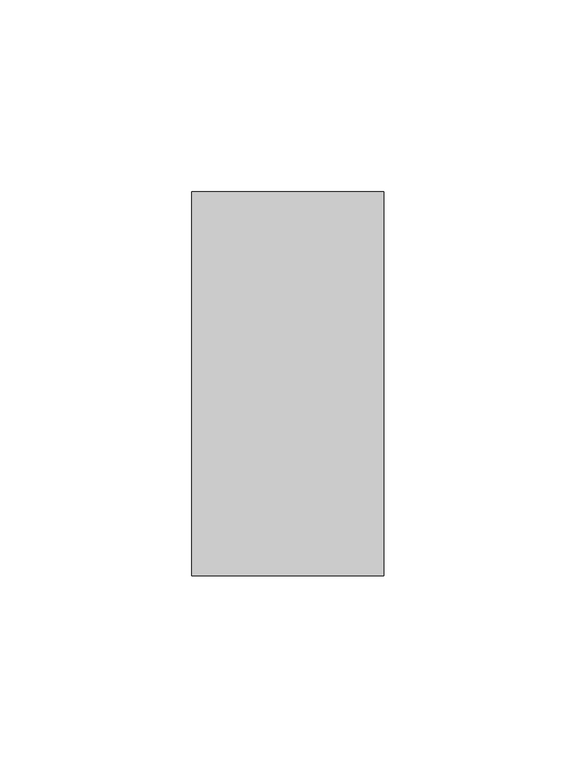
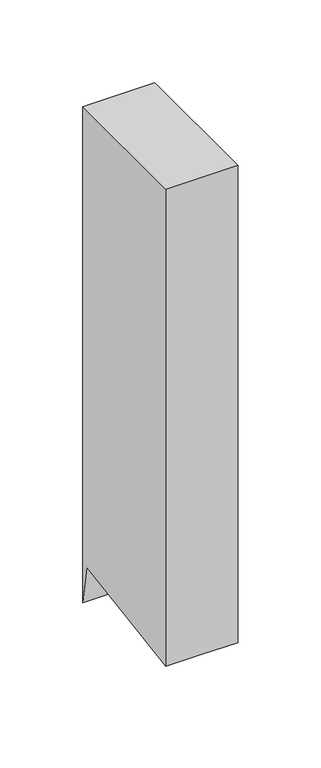
"""IFC4 building model written with IfcOpenShell, lengths in millimetres: member geometry."""

from ifc_helpers import new_model, si_unit, origin, place, context, project, spatial, faceted_brep, source, transform, mapped, element, save


def member_0e1297a1(model_context):
    return source(origin(), model_context, "Body", "Brep", [
        faceted_brep([(25.0, 50.0, 0.0), (-25.0, 50.0, 0.0), (-25.0, -50.0, 0.0), (25.0, -50.0, 0.0), (25.0, 50.0, -364.6412762), (0.0, 50.0, -364.6412762), (-25.0, 50.0, -364.6412762), (-25.0, 45.6070124, -336.1463627), (-25.0, -50.0, -350.8858501), (0.0, -50.0, -350.8858501), (25.0, -50.0, -350.8858501), (25.0, 45.6070124, -336.1463627), (0.0, 45.6070124, -336.1463627)], [[[0, 1, 2, 3]], [[1, 0, 4, 5, 6]], [[2, 1, 6, 7, 8]], [[3, 2, 8, 9, 10]], [[0, 3, 10, 11, 4]], [[4, 11, 12, 5]], [[11, 10, 9, 12]], [[9, 8, 7, 12]], [[7, 6, 5, 12]]]),
    ])


if __name__ == "__main__":
    model = new_model("IFC4")
    model_context = context("Model", 3, world=origin())
    ifc_project = project(units=[si_unit("LENGTHUNIT", "METRE", prefix="MILLI")], contexts=[model_context])
    site = spatial("IfcSite", under=ifc_project)
    building = spatial("IfcBuilding", under=site)
    placement = place(None, origin())
    member_shape = member_0e1297a1(model_context)
    element("IfcMember", 1, at=placement, inside=building, context=model_context, shape_type="MappedRepresentation", body=[
        mapped(member_shape, transform((0.0, 0.0, 0.0), x_axis=(1.0, 0.0, 0.0), y_axis=(0.0, 1.0, 0.0), z_axis=(0.0, 0.0, 1.0))),
    ])
    save(model, "model.ifc")
